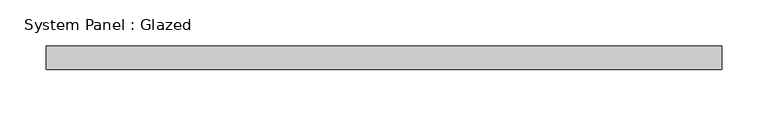
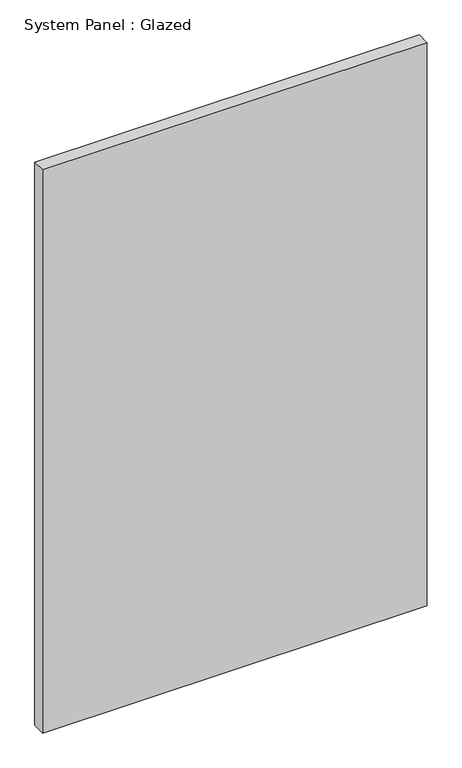
"""IFC4 building model written with IfcOpenShell, lengths in millimetres: plate geometry, System Panel : Glazed."""

from ifc_helpers import new_model, si_unit, origin, origin_with_axes, place, context, project, spatial, polyline, outline, extrude, source, transform, mapped, element, save


def system_panel_glazed_9d8ac1f2(model_context):
    return source(origin(), model_context, "Body", "SweptSolid", [
        extrude(outline(polyline([(365.125, 0.0), (-365.125, 0.0), (-365.125, 25.4), (365.125, 25.4), (365.125, 0.0)])), origin_with_axes(), (0.0, 0.0, 1.0), 1130.3),
    ])


if __name__ == "__main__":
    model = new_model("IFC4")
    model_context = context("Model", 3, world=origin())
    ifc_project = project(units=[si_unit("LENGTHUNIT", "METRE", prefix="MILLI")], contexts=[model_context])
    site = spatial("IfcSite", under=ifc_project)
    building = spatial("IfcBuilding", under=site)
    placement = place(None, origin())
    system_panel_glazed_shape = system_panel_glazed_9d8ac1f2(model_context)
    element("IfcPlate", 1, ObjectType="System Panel : Glazed", at=placement, inside=building, context=model_context, shape_type="MappedRepresentation", body=[
        mapped(system_panel_glazed_shape, transform((0.0, 0.0, 0.0), x_axis=(1.0, 0.0, 0.0), y_axis=(0.0, 1.0, 0.0), z_axis=(0.0, 0.0, 1.0))),
    ])
    save(model, "model.ifc")
